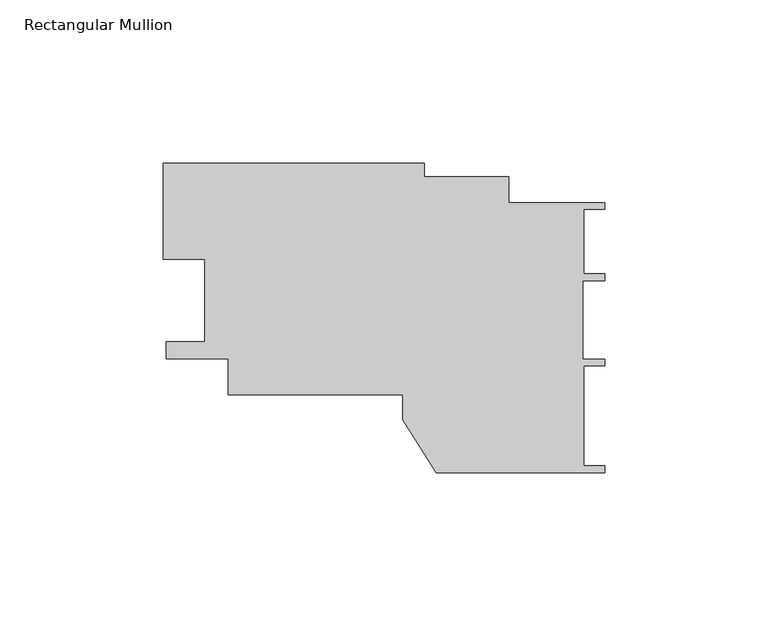
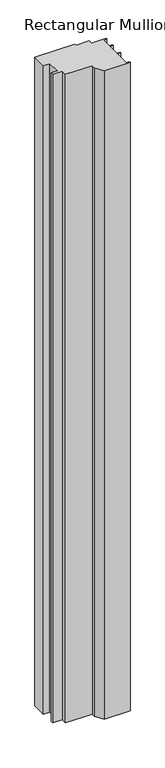
"""IFC4 building model written with IfcOpenShell, lengths in millimetres: member geometry, Rectangular Mullion."""

import ifcopenshell
import ifcopenshell.guid

model = None  # the IFC model being written
_history = None  # IfcOwnerHistory: only IFC2X3 demands one
_inside = {}  # id of a spatial element -> (the spatial element, [elements in it])
_under = {}  # id of a project, library or spatial element -> (it, [spatial elements below it])
_declared = {}  # id of a project -> (the project, [libraries it declares])
_typed = {}  # id of a type object -> (the type object, [elements of that type])
_made_of = {}  # id of a material, layer set ... -> (it, [elements and type objects made of it])


def new_model(schema):
    """Start an empty IFC model of exactly this schema.

    Asked for "IFC4X3", IfcOpenShell would pick the latest addendum, in which some entities
    have other attributes; the version numbers below select the first issue.
    IFC2X3 requires an IfcOwnerHistory on every rooted entity: one is made here for all.
    """
    global model, _history
    if schema == "IFC4X3":
        model = ifcopenshell.file(schema_version=(4, 3, 0, 0))
    else:
        model = ifcopenshell.file(schema=schema)
    _inside.clear()
    _under.clear()
    _declared.clear()
    _typed.clear()
    _made_of.clear()
    _history = None
    if model.schema == "IFC2X3":
        org = make("IfcOrganization", Name="unknown")
        user = make(
            "IfcPersonAndOrganization",
            ThePerson=make("IfcPerson", FamilyName="unknown"),
            TheOrganization=org,
        )
        app = make(
            "IfcApplication",
            ApplicationDeveloper=org,
            Version="unknown",
            ApplicationFullName="unknown",
            ApplicationIdentifier="unknown",
        )
        _history = make(
            "IfcOwnerHistory",
            OwningUser=user,
            OwningApplication=app,
            ChangeAction="ADDED",
            CreationDate=0,
        )
    return model


def make(cls, **values):
    """One entity of the class cls with the attributes given. An attribute that is None is left unset."""
    return model.create_entity(
        cls, **{name: value for name, value in values.items() if value is not None}
    )


def rooted(cls, **values):
    """An entity with a GlobalId (a new one), such as an element, a storey or a relation."""
    return make(cls, GlobalId=ifcopenshell.guid.new(), OwnerHistory=_history, **values)


def si_unit(unit_type, name, prefix=None):
    """IfcSIUnit, for example si_unit("LENGTHUNIT", "METRE", prefix="MILLI")."""
    return make("IfcSIUnit", UnitType=unit_type, Prefix=prefix, Name=name)


def assignment(units):
    """IfcUnitAssignment: the units of a project."""
    return None if units is None else make("IfcUnitAssignment", Units=units)


def point(xyz):
    """IfcCartesianPoint."""
    return None if xyz is None else make("IfcCartesianPoint", Coordinates=xyz)


def direction(xyz):
    """IfcDirection."""
    return None if xyz is None else make("IfcDirection", DirectionRatios=xyz)


def frame(location, z_axis=None, x_axis=None):
    """IfcAxis2Placement3D, a coordinate frame: its origin and axes. An axis left out is left unset."""
    return make(
        "IfcAxis2Placement3D",
        Location=point(location),
        Axis=direction(z_axis),
        RefDirection=direction(x_axis),
    )


def origin():
    """The frame at (0, 0, 0) with its axes left unset."""
    return frame((0.0, 0.0, 0.0))


def place(relative_to, where):
    """IfcLocalPlacement: puts the frame where relative to a parent placement (None: the world)."""
    return make(
        "IfcLocalPlacement", PlacementRelTo=relative_to, RelativePlacement=where
    )


def context(
    kind, dimensions, precision=None, world=None, true_north=None, identifier=None
):
    """IfcGeometricRepresentationContext, for example the 3D "Model" context."""
    return make(
        "IfcGeometricRepresentationContext",
        ContextIdentifier=identifier,
        ContextType=kind,
        CoordinateSpaceDimension=dimensions,
        Precision=precision,
        WorldCoordinateSystem=world,
        TrueNorth=true_north,
    )


def project(units=None, contexts=None):
    """IfcProject with its units and contexts."""
    return rooted(
        "IfcProject",
        Name="project",
        RepresentationContexts=contexts,
        UnitsInContext=assignment(units),
    )


def spatial(cls, under=None, at=None, **own):
    """A site, building, storey or space (cls), placed at a placement, below another one or the project."""
    s = rooted(cls, ObjectPlacement=at, **own)
    if under is not None:
        _under.setdefault(under.id(), (under, []))[1].append(s)
    return s


def polyline(points):
    """IfcPolyline through the points."""
    return make("IfcPolyline", Points=[point(p) for p in points])


def outline(outer, holes=None, kind="AREA"):
    """IfcArbitraryClosedProfileDef: a profile drawn as a closed curve; with holes, ...WithVoids."""
    if holes is None:
        return make("IfcArbitraryClosedProfileDef", ProfileType=kind, OuterCurve=outer)
    return make(
        "IfcArbitraryProfileDefWithVoids",
        ProfileType=kind,
        OuterCurve=outer,
        InnerCurves=holes,
    )


def extrude(swept, where, along, depth):
    """IfcExtrudedAreaSolid: the profile swept, set in the frame where, extruded along a direction by depth."""
    return make(
        "IfcExtrudedAreaSolid",
        SweptArea=swept,
        Position=where,
        ExtrudedDirection=direction(along),
        Depth=depth,
    )


def shape(context_of_items, identifier, shape_type, items):
    """IfcShapeRepresentation: the items that make up one representation, for example the "Body"."""
    return make(
        "IfcShapeRepresentation",
        ContextOfItems=context_of_items,
        RepresentationIdentifier=identifier,
        RepresentationType=shape_type,
        Items=items,
    )


def source(mapping_origin, context_of_items, identifier, shape_type, items):
    """IfcRepresentationMap: a shape defined once, which mapped items show again and again."""
    return make(
        "IfcRepresentationMap",
        MappingOrigin=mapping_origin,
        MappedRepresentation=shape(context_of_items, identifier, shape_type, items),
    )


def transform(
    local_origin,
    x_axis=None,
    y_axis=None,
    z_axis=None,
    scale=None,
    scale2=None,
    scale3=None,
    uniform=True,
):
    """IfcCartesianTransformationOperator3D, or its non-uniform kind. x_axis, y_axis, z_axis: its Axis1, 2, 3."""
    if uniform:
        return make(
            "IfcCartesianTransformationOperator3D",
            Axis1=direction(x_axis),
            Axis2=direction(y_axis),
            LocalOrigin=point(local_origin),
            Scale=scale,
            Axis3=direction(z_axis),
        )
    return make(
        "IfcCartesianTransformationOperator3DnonUniform",
        Axis1=direction(x_axis),
        Axis2=direction(y_axis),
        LocalOrigin=point(local_origin),
        Scale=scale,
        Axis3=direction(z_axis),
        Scale2=scale2,
        Scale3=scale3,
    )


def mapped(mapping_source, mapping_target):
    """IfcMappedItem: shows the shape of a source again, moved by a transform."""
    return make(
        "IfcMappedItem", MappingSource=mapping_source, MappingTarget=mapping_target
    )


def made_of(thing, what):
    """Note that an element or type object is made of a material, layer set ...; save() writes the relation."""
    if what is not None:
        _made_of.setdefault(what.id(), (what, []))[1].append(thing)
    return thing


def element(
    cls,
    number,
    at=None,
    inside=None,
    cuts=None,
    type_object=None,
    material=None,
    context=None,
    identifier="Body",
    shape_type=None,
    held_by="IfcProductDefinitionShape",
    body=None,
    shapes=None,
    **own,
):
    """One element of the class cls, such as IfcWall. Its Tag is "e" and its number.

    at: its placement. inside: the storey or other place that contains it. cuts: it is an
    opening in that element (IfcRelVoidsElement). A single representation is given by context,
    identifier, shape_type and body (its items); several are given by shapes. held_by: the class
    of the entity that holds the representations. save() writes the other relations.
    """
    e = rooted(cls, Tag="e%d" % number, ObjectPlacement=at, **own)
    if body is not None:
        shapes = [shape(context, identifier, shape_type, body)]
    if shapes is not None:
        e.Representation = make(held_by, Representations=shapes)
    if inside is not None:
        _inside.setdefault(inside.id(), (inside, []))[1].append(e)
    if cuts is not None:
        rooted(
            "IfcRelVoidsElement", RelatingBuildingElement=cuts, RelatedOpeningElement=e
        )
    if type_object is not None:
        _typed.setdefault(type_object.id(), (type_object, []))[1].append(e)
    return made_of(e, material)


def aggregate(whole, parts):
    """IfcRelAggregates: a whole, such as a stair, and the parts it consists of."""
    return rooted("IfcRelAggregates", RelatingObject=whole, RelatedObjects=parts)


def save(model, path):
    """Write the relations noted so far, then the file.

    IfcRelAggregates (storeys below a building ...), IfcRelContainedInSpatialStructure (elements
    in a storey), IfcRelDefinesByType, IfcRelAssociatesMaterial and IfcRelDeclares: one each for
    every whole, place, type object, material and project.
    """
    for whole, parts in _under.values():
        aggregate(whole, parts)
    for where, things in _inside.values():
        rooted(
            "IfcRelContainedInSpatialStructure",
            RelatedElements=things,
            RelatingStructure=where,
        )
    for kind, things in _typed.values():
        rooted("IfcRelDefinesByType", RelatedObjects=things, RelatingType=kind)
    for what, things in _made_of.values():
        rooted("IfcRelAssociatesMaterial", RelatedObjects=things, RelatingMaterial=what)
    for by, libraries in _declared.values():
        rooted("IfcRelDeclares", RelatingContext=by, RelatedDefinitions=libraries)
    model.write(path)


def rectangular_mullion_0f0b6f1b(model_context):
    return source(origin(), model_context, "Body", "SweptSolid", [
        extrude(outline(polyline([(-122.2412301, 17.7383637), (-134.9238089, 17.7383637), (-134.9238089, 47.0505619), (-55.2124897, 47.0505619), (-55.2124897, 43.0314711), (-29.3351114, 43.0314711), (-29.3351114, 35.0248069), (-0.0001731, 35.0248069), (-0.0001731, 33.0107591), (-6.3415122, 33.0107591), (-6.3415122, 13.2711502), (-0.0001731, 13.2711502), (-0.0001731, 11.2273832), (-6.6042681, 11.2273832), (-6.6042681, -12.7828877), (-0.0001731, -12.7828877), (-0.0001731, -14.8055052), (-6.3502578, -14.8055052), (-6.3502578, -45.4900302), (0.0, -45.4900302), (0.0, -47.5284629), (-51.4872591, -47.5284629), (-61.6791267, -31.3365681), (-61.6791267, -23.646293), (-115.0669411, -23.646293), (-115.0669411, -12.6222455), (-134.1177144, -12.6222455), (-134.1177144, -7.4150341), (-122.2412301, -7.4150341), (-122.2412301, 17.7383637)])), frame((0.0, 0.0, -1365.2325855), z_axis=(0.0, 0.0, 1.0), x_axis=(1.0, 0.0, 0.0)), (0.0, 0.0, 1.0), 1365.2325855),
    ])


if __name__ == "__main__":
    model = new_model("IFC4")
    model_context = context("Model", 3, world=origin())
    ifc_project = project(units=[si_unit("LENGTHUNIT", "METRE", prefix="MILLI")], contexts=[model_context])
    site = spatial("IfcSite", under=ifc_project)
    building = spatial("IfcBuilding", under=site)
    placement = place(None, origin())
    rectangular_mullion_shape = rectangular_mullion_0f0b6f1b(model_context)
    element("IfcMember", 1, ObjectType="Rectangular Mullion", at=placement, inside=building, context=model_context, shape_type="MappedRepresentation", body=[
        mapped(rectangular_mullion_shape, transform((0.0, 0.0, 0.0), x_axis=(1.0, 0.0, 0.0), y_axis=(0.0, 1.0, 0.0), z_axis=(0.0, 0.0, 1.0))),
    ])
    save(model, "model.ifc")
